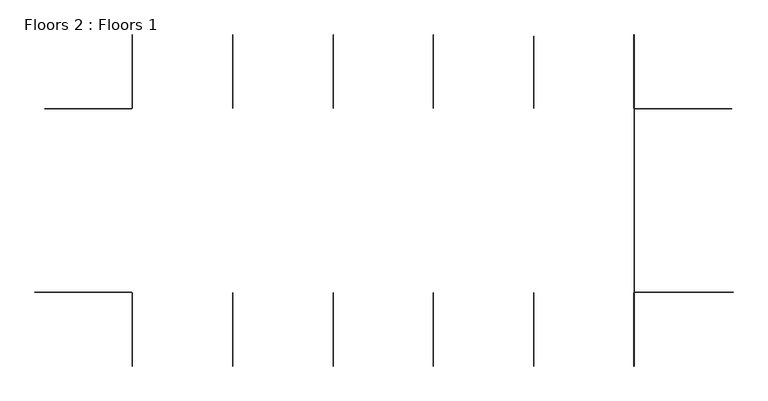
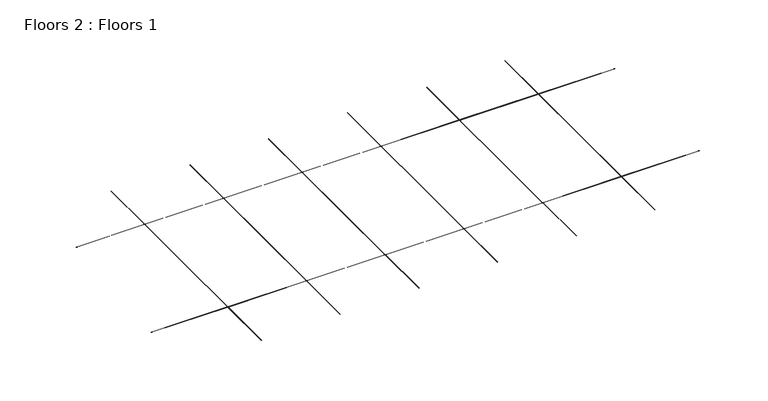
"""IFC4 building model written with IfcOpenShell, lengths in millimetres: slab geometry, Floors 2 : Floors 1."""

from ifc_helpers import new_model, si_unit, frame, origin, place, context, project, spatial, polyline, outline, extrude, source, transform, mapped, element, save


def floors_2_floors_1_7016e4ab(model_context):
    return source(origin(), model_context, "Body", "SweptSolid", [
        extrude(outline(polyline([(-9331.9472188, -5022.1547731), (-14858.9772188, -5022.1547731), (-14858.9772188, -5017.1547731), (-9331.9472188, -5017.1547731), (-9331.9472188, 375.3575449), (-9331.9472188, 5375.3575449), (-14300.5772188, 5375.3575449), (-14300.5772188, 5380.3575449), (-9331.9472188, 5380.3575449), (-9331.9472188, 9567.8575449), (-9326.9472188, 9567.8575449), (-9326.9472188, 5380.3575449), (-3640.5172188, 5380.3575449), (-3640.5172188, 9567.8575449), (-3635.5172188, 9567.8575449), (-3635.5172188, 5380.3575449), (2050.9127812, 5380.3575449), (2050.9127812, 9567.8575449), (2055.9127812, 9567.8575449), (2055.9127812, 5380.3575449), (7742.3427812, 5380.3575449), (7742.3427812, 9567.8575449), (7747.3427812, 9567.8575449), (7747.3427812, 5380.3575449), (13434.0727812, 5380.3575449), (13434.0727812, 9486.800677), (13439.0727812, 9486.800677), (13439.0727812, 5380.3575449), (19125.5027812, 5380.3575449), (19125.5027812, 9567.8575449), (19130.5027812, 9567.8575449), (19130.5027812, 5380.3575449), (24656.8624138, 5380.3575449), (24656.8624138, 5375.3575449), (19130.5027812, 5375.3575449), (19130.5027812, 375.3575449), (19130.5027812, -5017.1547731), (24746.6624138, -5017.1547731), (24746.6624138, -5022.1547731), (19130.5027812, -5022.1547731), (19130.5027812, -9215.7424551), (19125.5027812, -9215.7424551), (19125.5027812, -5022.1547731), (13439.0727812, -5022.1547731), (13439.0727812, -9215.7424551), (13434.0727812, -9215.7424551), (13434.0727812, -5022.1547731), (7747.3427812, -5022.1547731), (7747.3427812, -9215.7424551), (7742.3427812, -9215.7424551), (7742.3427812, -5022.1547731), (2055.9127812, -5022.1547731), (2055.9127812, -9215.7424551), (2050.9127812, -9215.7424551), (2050.9127812, -5022.1547731), (-3635.5172188, -5022.1547731), (-3635.5172188, -9215.7424551), (-3640.5172188, -9215.7424551), (-3640.5172188, -5022.1547731), (-9326.9472188, -5022.1547731), (-9326.9472188, -9215.7424551), (-9331.9472188, -9215.7424551), (-9331.9472188, -5022.1547731)]), holes=[polyline([(7747.3427812, 375.3575449), (7747.3427812, -5017.1547731), (13434.0727812, -5017.1547731), (13434.0727812, 375.3575449), (13434.0727812, 5375.3575449), (7747.3427812, 5375.3575449), (7747.3427812, 375.3575449)]), polyline([(-9326.9472188, 375.3575449), (-9326.9472188, -5017.1547731), (-3640.5172188, -5017.1547731), (-3640.5172188, 375.3575449), (-3640.5172188, 5375.3575449), (-9326.9472188, 5375.3575449), (-9326.9472188, 375.3575449)]), polyline([(2055.9127812, -5017.1547731), (7742.3427812, -5017.1547731), (7742.3427812, 375.3575449), (7742.3427812, 5375.3575449), (2055.9127812, 5375.3575449), (2055.9127812, 375.3575449), (2055.9127812, -5017.1547731)]), polyline([(-3635.5172188, 375.3575449), (-3635.5172188, -5017.1547731), (2050.9127812, -5017.1547731), (2050.9127812, 375.3575449), (2050.9127812, 5375.3575449), (-3635.5172188, 5375.3575449), (-3635.5172188, 375.3575449)]), polyline([(13439.0727812, 375.3575449), (13439.0727812, -5017.1547731), (19125.5027812, -5017.1547731), (19125.5027812, 375.3575449), (19125.5027812, 5375.3575449), (13439.0727812, 5375.3575449), (13439.0727812, 375.3575449)])]), frame((0.0, 0.0, -10.0), z_axis=(0.0, 0.0, 1.0), x_axis=(1.0, 0.0, 0.0)), (0.0, 0.0, 1.0), 10.0),
    ])


if __name__ == "__main__":
    model = new_model("IFC4")
    model_context = context("Model", 3, world=origin())
    ifc_project = project(units=[si_unit("LENGTHUNIT", "METRE", prefix="MILLI")], contexts=[model_context])
    site = spatial("IfcSite", under=ifc_project)
    building = spatial("IfcBuilding", under=site)
    placement = place(None, origin())
    floors_2_floors_1_shape = floors_2_floors_1_7016e4ab(model_context)
    element("IfcSlab", 1, ObjectType="Floors 2 : Floors 1", at=placement, inside=building, context=model_context, shape_type="MappedRepresentation", body=[
        mapped(floors_2_floors_1_shape, transform((0.0, 0.0, 0.0), x_axis=(1.0, 0.0, 0.0), y_axis=(0.0, 1.0, 0.0), z_axis=(0.0, 0.0, 1.0))),
    ])
    save(model, "model.ifc")
